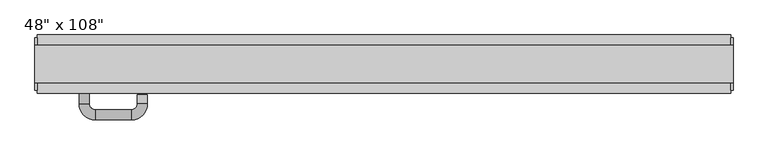
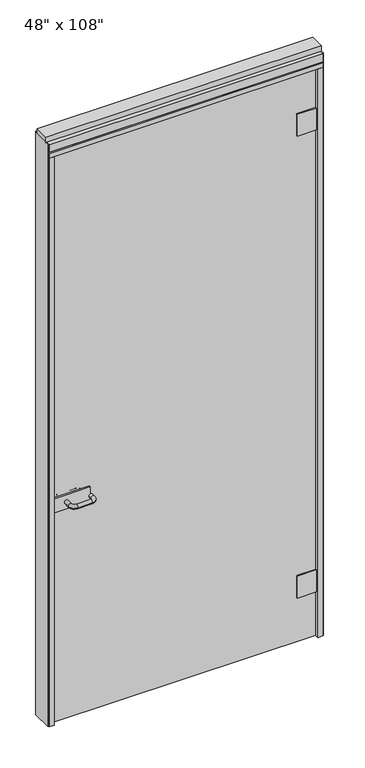
"""IFC4 building model written with IfcOpenShell, lengths in millimetres: furniture geometry."""

import ifcopenshell
import ifcopenshell.guid

model = None  # the IFC model being written
_history = None  # IfcOwnerHistory: only IFC2X3 demands one
_inside = {}  # id of a spatial element -> (the spatial element, [elements in it])
_under = {}  # id of a project, library or spatial element -> (it, [spatial elements below it])
_declared = {}  # id of a project -> (the project, [libraries it declares])
_typed = {}  # id of a type object -> (the type object, [elements of that type])
_made_of = {}  # id of a material, layer set ... -> (it, [elements and type objects made of it])


def new_model(schema):
    """Start an empty IFC model of exactly this schema.

    Asked for "IFC4X3", IfcOpenShell would pick the latest addendum, in which some entities
    have other attributes; the version numbers below select the first issue.
    IFC2X3 requires an IfcOwnerHistory on every rooted entity: one is made here for all.
    """
    global model, _history
    if schema == "IFC4X3":
        model = ifcopenshell.file(schema_version=(4, 3, 0, 0))
    else:
        model = ifcopenshell.file(schema=schema)
    _inside.clear()
    _under.clear()
    _declared.clear()
    _typed.clear()
    _made_of.clear()
    _history = None
    if model.schema == "IFC2X3":
        org = make("IfcOrganization", Name="unknown")
        user = make(
            "IfcPersonAndOrganization",
            ThePerson=make("IfcPerson", FamilyName="unknown"),
            TheOrganization=org,
        )
        app = make(
            "IfcApplication",
            ApplicationDeveloper=org,
            Version="unknown",
            ApplicationFullName="unknown",
            ApplicationIdentifier="unknown",
        )
        _history = make(
            "IfcOwnerHistory",
            OwningUser=user,
            OwningApplication=app,
            ChangeAction="ADDED",
            CreationDate=0,
        )
    return model


def make(cls, **values):
    """One entity of the class cls with the attributes given. An attribute that is None is left unset."""
    return model.create_entity(
        cls, **{name: value for name, value in values.items() if value is not None}
    )


def rooted(cls, **values):
    """An entity with a GlobalId (a new one), such as an element, a storey or a relation."""
    return make(cls, GlobalId=ifcopenshell.guid.new(), OwnerHistory=_history, **values)


def si_unit(unit_type, name, prefix=None):
    """IfcSIUnit, for example si_unit("LENGTHUNIT", "METRE", prefix="MILLI")."""
    return make("IfcSIUnit", UnitType=unit_type, Prefix=prefix, Name=name)


def assignment(units):
    """IfcUnitAssignment: the units of a project."""
    return None if units is None else make("IfcUnitAssignment", Units=units)


def point(xyz):
    """IfcCartesianPoint."""
    return None if xyz is None else make("IfcCartesianPoint", Coordinates=xyz)


def direction(xyz):
    """IfcDirection."""
    return None if xyz is None else make("IfcDirection", DirectionRatios=xyz)


def frame(location, z_axis=None, x_axis=None):
    """IfcAxis2Placement3D, a coordinate frame: its origin and axes. An axis left out is left unset."""
    return make(
        "IfcAxis2Placement3D",
        Location=point(location),
        Axis=direction(z_axis),
        RefDirection=direction(x_axis),
    )


def origin():
    """The frame at (0, 0, 0) with its axes left unset."""
    return frame((0.0, 0.0, 0.0))


def origin_with_axes():
    """The frame at (0, 0, 0) with the z axis (0, 0, 1) and the x axis (1, 0, 0) written out."""
    return frame((0.0, 0.0, 0.0), z_axis=(0.0, 0.0, 1.0), x_axis=(1.0, 0.0, 0.0))


def place(relative_to, where):
    """IfcLocalPlacement: puts the frame where relative to a parent placement (None: the world)."""
    return make(
        "IfcLocalPlacement", PlacementRelTo=relative_to, RelativePlacement=where
    )


def context(
    kind, dimensions, precision=None, world=None, true_north=None, identifier=None
):
    """IfcGeometricRepresentationContext, for example the 3D "Model" context."""
    return make(
        "IfcGeometricRepresentationContext",
        ContextIdentifier=identifier,
        ContextType=kind,
        CoordinateSpaceDimension=dimensions,
        Precision=precision,
        WorldCoordinateSystem=world,
        TrueNorth=true_north,
    )


def project(units=None, contexts=None):
    """IfcProject with its units and contexts."""
    return rooted(
        "IfcProject",
        Name="project",
        RepresentationContexts=contexts,
        UnitsInContext=assignment(units),
    )


def spatial(cls, under=None, at=None, **own):
    """A site, building, storey or space (cls), placed at a placement, below another one or the project."""
    s = rooted(cls, ObjectPlacement=at, **own)
    if under is not None:
        _under.setdefault(under.id(), (under, []))[1].append(s)
    return s


def polyline(points):
    """IfcPolyline through the points."""
    return make("IfcPolyline", Points=[point(p) for p in points])


def circle_curve(where, radius):
    """IfcCircle in the frame where."""
    return make("IfcCircle", Position=where, Radius=radius)


def ellipse_curve(where, semi_axis1, semi_axis2):
    """IfcEllipse in the frame where."""
    return make(
        "IfcEllipse", Position=where, SemiAxis1=semi_axis1, SemiAxis2=semi_axis2
    )


def trimmed(basis, trim1, trim2, sense, master):
    """IfcTrimmedCurve: the piece of a basis curve between two trims."""
    return make(
        "IfcTrimmedCurve",
        BasisCurve=basis,
        Trim1=trim1,
        Trim2=trim2,
        SenseAgreement=sense,
        MasterRepresentation=master,
    )


def outline(outer, holes=None, kind="AREA"):
    """IfcArbitraryClosedProfileDef: a profile drawn as a closed curve; with holes, ...WithVoids."""
    if holes is None:
        return make("IfcArbitraryClosedProfileDef", ProfileType=kind, OuterCurve=outer)
    return make(
        "IfcArbitraryProfileDefWithVoids",
        ProfileType=kind,
        OuterCurve=outer,
        InnerCurves=holes,
    )


def extrude(swept, where, along, depth):
    """IfcExtrudedAreaSolid: the profile swept, set in the frame where, extruded along a direction by depth."""
    return make(
        "IfcExtrudedAreaSolid",
        SweptArea=swept,
        Position=where,
        ExtrudedDirection=direction(along),
        Depth=depth,
    )


def shape(context_of_items, identifier, shape_type, items):
    """IfcShapeRepresentation: the items that make up one representation, for example the "Body"."""
    return make(
        "IfcShapeRepresentation",
        ContextOfItems=context_of_items,
        RepresentationIdentifier=identifier,
        RepresentationType=shape_type,
        Items=items,
    )


def source(mapping_origin, context_of_items, identifier, shape_type, items):
    """IfcRepresentationMap: a shape defined once, which mapped items show again and again."""
    return make(
        "IfcRepresentationMap",
        MappingOrigin=mapping_origin,
        MappedRepresentation=shape(context_of_items, identifier, shape_type, items),
    )


def transform(
    local_origin,
    x_axis=None,
    y_axis=None,
    z_axis=None,
    scale=None,
    scale2=None,
    scale3=None,
    uniform=True,
):
    """IfcCartesianTransformationOperator3D, or its non-uniform kind. x_axis, y_axis, z_axis: its Axis1, 2, 3."""
    if uniform:
        return make(
            "IfcCartesianTransformationOperator3D",
            Axis1=direction(x_axis),
            Axis2=direction(y_axis),
            LocalOrigin=point(local_origin),
            Scale=scale,
            Axis3=direction(z_axis),
        )
    return make(
        "IfcCartesianTransformationOperator3DnonUniform",
        Axis1=direction(x_axis),
        Axis2=direction(y_axis),
        LocalOrigin=point(local_origin),
        Scale=scale,
        Axis3=direction(z_axis),
        Scale2=scale2,
        Scale3=scale3,
    )


def mapped(mapping_source, mapping_target):
    """IfcMappedItem: shows the shape of a source again, moved by a transform."""
    return make(
        "IfcMappedItem", MappingSource=mapping_source, MappingTarget=mapping_target
    )


def made_of(thing, what):
    """Note that an element or type object is made of a material, layer set ...; save() writes the relation."""
    if what is not None:
        _made_of.setdefault(what.id(), (what, []))[1].append(thing)
    return thing


def element(
    cls,
    number,
    at=None,
    inside=None,
    cuts=None,
    type_object=None,
    material=None,
    context=None,
    identifier="Body",
    shape_type=None,
    held_by="IfcProductDefinitionShape",
    body=None,
    shapes=None,
    **own,
):
    """One element of the class cls, such as IfcWall. Its Tag is "e" and its number.

    at: its placement. inside: the storey or other place that contains it. cuts: it is an
    opening in that element (IfcRelVoidsElement). A single representation is given by context,
    identifier, shape_type and body (its items); several are given by shapes. held_by: the class
    of the entity that holds the representations. save() writes the other relations.
    """
    e = rooted(cls, Tag="e%d" % number, ObjectPlacement=at, **own)
    if body is not None:
        shapes = [shape(context, identifier, shape_type, body)]
    if shapes is not None:
        e.Representation = make(held_by, Representations=shapes)
    if inside is not None:
        _inside.setdefault(inside.id(), (inside, []))[1].append(e)
    if cuts is not None:
        rooted(
            "IfcRelVoidsElement", RelatingBuildingElement=cuts, RelatedOpeningElement=e
        )
    if type_object is not None:
        _typed.setdefault(type_object.id(), (type_object, []))[1].append(e)
    return made_of(e, material)


def aggregate(whole, parts):
    """IfcRelAggregates: a whole, such as a stair, and the parts it consists of."""
    return rooted("IfcRelAggregates", RelatingObject=whole, RelatedObjects=parts)


def save(model, path):
    """Write the relations noted so far, then the file.

    IfcRelAggregates (storeys below a building ...), IfcRelContainedInSpatialStructure (elements
    in a storey), IfcRelDefinesByType, IfcRelAssociatesMaterial and IfcRelDeclares: one each for
    every whole, place, type object, material and project.
    """
    for whole, parts in _under.values():
        aggregate(whole, parts)
    for where, things in _inside.values():
        rooted(
            "IfcRelContainedInSpatialStructure",
            RelatedElements=things,
            RelatingStructure=where,
        )
    for kind, things in _typed.values():
        rooted("IfcRelDefinesByType", RelatedObjects=things, RelatingType=kind)
    for what, things in _made_of.values():
        rooted("IfcRelAssociatesMaterial", RelatedObjects=things, RelatingMaterial=what)
    for by, libraries in _declared.values():
        rooted("IfcRelDeclares", RelatingContext=by, RelatedDefinitions=libraries)
    model.write(path)


def plane_surface(at):
    """IfcPlane: the flat surface through the origin of the frame at, square to its z axis."""
    return make("IfcPlane", Position=at)


def cylinder_surface(at, radius):
    """IfcCylindricalSurface: all points at the distance radius from the z axis of the frame at."""
    return make("IfcCylindricalSurface", Position=at, Radius=radius)


def revolved_surface(curve, axis_point, axis_direction):
    """IfcSurfaceOfRevolution: the curve turned about the line through axis_point along axis_direction."""
    return make(
        "IfcSurfaceOfRevolution",
        SweptCurve=make("IfcArbitraryOpenProfileDef", ProfileType="CURVE", Curve=curve),
        AxisPosition=make("IfcAxis1Placement", Location=point(axis_point), Axis=direction(axis_direction)),
    )


def advanced_brep(points, edges, surfaces, faces):
    """IfcAdvancedBrep: a solid bounded by faces that lie on surfaces and meet in shared edges.

    An edge is (start, end): straight between two places in points (the first is 0);
    or (start, end, curve); or (start, end, curve, False) where it runs against its curve.
    A face is (place in surfaces, loops), or (place, loops, False) where it looks against
    its surface's normal. A loop lists edges by number (the first is 1), with a minus sign
    where the edge is run from its end to its start. The first loop is the outer one.
    """
    corners = [point(p) for p in points]
    vertices = [make("IfcVertexPoint", VertexGeometry=c) for c in corners]
    made = []
    for start, end, *more in edges:
        made.append(
            make(
                "IfcEdgeCurve",
                EdgeStart=vertices[start],
                EdgeEnd=vertices[end],
                EdgeGeometry=more[0] if more else make("IfcPolyline", Points=[corners[start], corners[end]]),
                SameSense=more[1] if len(more) > 1 else True,
            )
        )
    hull = []
    for where, loops, *sense in faces:
        bounds = []
        for j, loop in enumerate(loops):
            ring = [make("IfcOrientedEdge", EdgeElement=made[abs(k) - 1], Orientation=k > 0) for k in loop]
            bounds.append(
                make(
                    "IfcFaceOuterBound" if j == 0 else "IfcFaceBound",
                    Bound=make("IfcEdgeLoop", EdgeList=ring),
                    Orientation=True,
                )
            )
        hull.append(make("IfcAdvancedFace", Bounds=bounds, FaceSurface=surfaces[where], SameSense=sense[0] if sense else True))
    return make("IfcAdvancedBrep", Outer=make("IfcClosedShell", CfsFaces=hull))


def furniture_f7354642(model_context):
    return source(origin(), model_context, "Body", "SolidModel", [
        extrude(outline(polyline([(523.4014771, -38.1727216), (-643.4745229, -38.1727216), (-643.4745229, -28.0127216), (523.4014771, -28.0127216), (523.4014771, -38.1727216)])), origin_with_axes(), (0.0, 0.0, 1.0), 2654.3),
        extrude(outline(polyline([(-477.3585229, -21.0277216), (-477.3585229, -28.0127216), (-642.4585229, -28.0127216), (-642.4585229, -21.0277216), (-477.3585229, -21.0277216)])), frame((0.0, 0.0, 982.98), z_axis=(0.0, 0.0, 1.0), x_axis=(1.0, 0.0, 0.0)), (0.0, 0.0, 1.0), 66.04),
        advanced_brep(
        [(-592.4205229, -21.0277216, 1016.0), (-574.6405229, -21.0277216, 1016.0), (-574.6405229, 7.5472784, 1016.0), (-592.4205229, 7.5472784, 1016.0), (-564.4805229, 17.7072784, 1016.0), (-564.4805229, 35.4872784, 1016.0), (-473.0405229, -8.3277216, 1016.0), (-490.8205229, -8.3277216, 1016.0), (-500.9805229, 17.7072784, 1016.0), (-500.9805229, 35.4872784, 1016.0), (-490.8205229, 7.5472784, 1016.0), (-473.0405229, 7.5472784, 1016.0)],
        [
            (0, 1, circle_curve(frame((-583.5305229, -21.0277216, 1016.0), z_axis=(0.0, -1.0, 0.0), x_axis=(1.0, 0.0, 0.0)), 8.89)),
            (1, 0, circle_curve(frame((-583.5305229, -21.0277216, 1016.0), z_axis=(0.0, -1.0, 0.0), x_axis=(1.0, 0.0, 0.0)), 8.89)),
            (1, 2),
            (2, 3, circle_curve(frame((-583.5305229, 7.5472784, 1016.0), z_axis=(0.0, -1.0, 0.0), x_axis=(1.0, 0.0, 0.0)), 8.89)),
            (3, 0),
            (3, 2, circle_curve(frame((-583.5305229, 7.5472784, 1016.0), z_axis=(0.0, -1.0, 0.0), x_axis=(1.0, 0.0, 0.0)), 8.89)),
            (4, 5, circle_curve(frame((-564.4805229, 26.5972784, 1016.0), z_axis=(-1.0, 0.0, 0.0), x_axis=(0.0, -1.0, 0.0)), 8.89)),
            (5, 3, circle_curve(frame((-564.4805229, 7.5472784, 1016.0), z_axis=(0.0, 0.0, 1.0), x_axis=(-1.0, 0.0, 0.0)), 27.94)),
            (2, 4, circle_curve(frame((-564.4805229, 7.5472784, 1016.0), z_axis=(0.0, 0.0, -1.0), x_axis=(-1.0, 0.0, 0.0)), 10.16)),
            (5, 4, circle_curve(frame((-564.4805229, 26.5972784, 1016.0), z_axis=(-1.0, 0.0, 0.0), x_axis=(0.0, -1.0, 0.0)), 8.89)),
            (6, 7, circle_curve(frame((-481.9305229, -8.3277216, 1016.0), z_axis=(0.0, -1.0, 0.0), x_axis=(-1.0, 0.0, 0.0)), 8.89)),
            (7, 6, circle_curve(frame((-481.9305229, -8.3277216, 1016.0), z_axis=(0.0, -1.0, 0.0), x_axis=(-1.0, 0.0, 0.0)), 8.89)),
            (4, 8),
            (8, 9, circle_curve(frame((-500.9805229, 26.5972784, 1016.0), z_axis=(-1.0, 0.0, 0.0), x_axis=(0.0, -1.0, 0.0)), 8.89)),
            (9, 5),
            (9, 8, circle_curve(frame((-500.9805229, 26.5972784, 1016.0), z_axis=(-1.0, 0.0, 0.0), x_axis=(0.0, -1.0, 0.0)), 8.89)),
            (10, 11, circle_curve(frame((-481.9305229, 7.5472784, 1016.0), z_axis=(0.0, 1.0, 0.0), x_axis=(-1.0, 0.0, 0.0)), 8.89)),
            (11, 9, circle_curve(frame((-500.9805229, 7.5472784, 1016.0), z_axis=(0.0, 0.0, 1.0), x_axis=(0.0, 1.0, 0.0)), 27.94)),
            (8, 10, circle_curve(frame((-500.9805229, 7.5472784, 1016.0), z_axis=(0.0, 0.0, -1.0), x_axis=(0.0, 1.0, 0.0)), 10.16)),
            (11, 10, circle_curve(frame((-481.9305229, 7.5472784, 1016.0), z_axis=(0.0, 1.0, 0.0), x_axis=(-1.0, 0.0, 0.0)), 8.89)),
            (10, 7),
            (6, 11),
        ],
        [
            plane_surface(frame((-583.5305229, -21.0277216, 1016.0), z_axis=(0.0, -1.0, 0.0), x_axis=(0.0, 0.0, 1.0))),
            cylinder_surface(frame((-583.5305229, -21.0277216, 1016.0), z_axis=(0.0, -1.0, 0.0), x_axis=(1.0, 0.0, 0.0)), 8.89),
            revolved_surface(trimmed(ellipse_curve(frame((-583.5305229, 7.5472784, 1016.0), z_axis=(0.0, 1.0, 0.0), x_axis=(1.0, 0.0, 0.0)), 8.89, 8.89), [point((-592.4205229, 7.5472784, 1016.0))], [point((-574.6405229, 7.5472784, 1016.0))], True, "CARTESIAN"), (-564.4805229, 7.5472784, 1016.0), (0.0, 0.0, 1.0)),
            revolved_surface(trimmed(ellipse_curve(frame((-583.5305229, 7.5472784, 1016.0), z_axis=(0.0, 1.0, 0.0), x_axis=(1.0, 0.0, 0.0)), 8.89, 8.89), [point((-574.6405229, 7.5472784, 1016.0))], [point((-592.4205229, 7.5472784, 1016.0))], True, "CARTESIAN"), (-564.4805229, 7.5472784, 1016.0), (0.0, 0.0, 1.0)),
            plane_surface(frame((-481.9305229, -8.3277216, 1016.0), z_axis=(0.0, -1.0, 0.0), x_axis=(0.0, 0.0, 1.0))),
            cylinder_surface(frame((-564.4805229, 26.5972784, 1016.0), z_axis=(-1.0, 0.0, 0.0), x_axis=(0.0, -1.0, 0.0)), 8.89),
            revolved_surface(trimmed(ellipse_curve(frame((-500.9805229, 26.5972784, 1016.0), z_axis=(1.0, 0.0, 0.0), x_axis=(0.0, -1.0, 0.0)), 8.89, 8.89), [point((-500.9805229, 35.4872784, 1016.0))], [point((-500.9805229, 17.7072784, 1016.0))], True, "CARTESIAN"), (-500.9805229, 7.5472784, 1016.0), (0.0, 0.0, 1.0)),
            revolved_surface(trimmed(ellipse_curve(frame((-500.9805229, 26.5972784, 1016.0), z_axis=(1.0, 0.0, 0.0), x_axis=(0.0, -1.0, 0.0)), 8.89, 8.89), [point((-500.9805229, 17.7072784, 1016.0))], [point((-500.9805229, 35.4872784, 1016.0))], True, "CARTESIAN"), (-500.9805229, 7.5472784, 1016.0), (0.0, 0.0, 1.0)),
            cylinder_surface(frame((-481.9305229, 7.5472784, 1016.0), z_axis=(0.0, 1.0, 0.0), x_axis=(-1.0, 0.0, 0.0)), 8.89),
        ],
        [
            (0, [[1, 2]]),
            (1, [[3, 4, 5, -2]]),
            (1, [[-5, 6, -3, -1]]),
            (2, [[7, 8, -4, 9]]),
            (3, [[10, -9, -6, -8]]),
            (4, [[11, 12]]),
            (5, [[13, 14, 15, -7]]),
            (5, [[-15, 16, -13, -10]]),
            (6, [[17, 18, -14, 19]]),
            (7, [[20, -19, -16, -18]]),
            (8, [[21, -11, 22, -17]]),
            (8, [[-22, -12, -21, -20]]),
        ],
    ),
        extrude(outline(polyline([(-477.3585229, -45.1577216), (-642.4585229, -45.1577216), (-642.4585229, -38.1727216), (-477.3585229, -38.1727216), (-477.3585229, -45.1577216)])), frame((0.0, 0.0, 982.98), z_axis=(0.0, 0.0, 1.0), x_axis=(1.0, 0.0, 0.0)), (0.0, 0.0, 1.0), 66.04),
        advanced_brep(
        [(-592.4205229, -45.1577216, 1016.0), (-574.6405229, -45.1577216, 1016.0), (-592.4205229, -73.7327216, 1016.0), (-574.6405229, -73.7327216, 1016.0), (-564.4805229, -83.8927216, 1016.0), (-564.4805229, -101.6727216, 1016.0), (-473.0405229, -57.8577216, 1016.0), (-490.8205229, -57.8577216, 1016.0), (-500.9805229, -101.6727216, 1016.0), (-500.9805229, -83.8927216, 1016.0), (-490.8205229, -73.7327216, 1016.0), (-473.0405229, -73.7327216, 1016.0)],
        [
            (0, 1, circle_curve(frame((-583.5305229, -45.1577216, 1016.0), z_axis=(0.0, 1.0, 0.0), x_axis=(1.0, 0.0, 0.0)), 8.89)),
            (1, 0, circle_curve(frame((-583.5305229, -45.1577216, 1016.0), z_axis=(0.0, 1.0, 0.0), x_axis=(1.0, 0.0, 0.0)), 8.89)),
            (0, 2),
            (2, 3, circle_curve(frame((-583.5305229, -73.7327216, 1016.0), z_axis=(0.0, 1.0, 0.0), x_axis=(1.0, 0.0, 0.0)), 8.89)),
            (3, 1),
            (3, 2, circle_curve(frame((-583.5305229, -73.7327216, 1016.0), z_axis=(0.0, 1.0, 0.0), x_axis=(1.0, 0.0, 0.0)), 8.89)),
            (4, 3, circle_curve(frame((-564.4805229, -73.7327216, 1016.0), z_axis=(0.0, 0.0, -1.0), x_axis=(-1.0, 0.0, 0.0)), 10.16)),
            (2, 5, circle_curve(frame((-564.4805229, -73.7327216, 1016.0), z_axis=(0.0, 0.0, 1.0), x_axis=(-1.0, 0.0, 0.0)), 27.94)),
            (5, 4, circle_curve(frame((-564.4805229, -92.7827216, 1016.0), z_axis=(-1.0, 0.0, 0.0), x_axis=(0.0, 1.0, 0.0)), 8.89)),
            (4, 5, circle_curve(frame((-564.4805229, -92.7827216, 1016.0), z_axis=(-1.0, 0.0, 0.0), x_axis=(0.0, 1.0, 0.0)), 8.89)),
            (6, 7, circle_curve(frame((-481.9305229, -57.8577216, 1016.0), z_axis=(0.0, 1.0, 0.0), x_axis=(-1.0, 0.0, 0.0)), 8.89)),
            (7, 6, circle_curve(frame((-481.9305229, -57.8577216, 1016.0), z_axis=(0.0, 1.0, 0.0), x_axis=(-1.0, 0.0, 0.0)), 8.89)),
            (5, 8),
            (8, 9, circle_curve(frame((-500.9805229, -92.7827216, 1016.0), z_axis=(-1.0, 0.0, 0.0), x_axis=(0.0, 1.0, 0.0)), 8.89)),
            (9, 4),
            (9, 8, circle_curve(frame((-500.9805229, -92.7827216, 1016.0), z_axis=(-1.0, 0.0, 0.0), x_axis=(0.0, 1.0, 0.0)), 8.89)),
            (10, 9, circle_curve(frame((-500.9805229, -73.7327216, 1016.0), z_axis=(0.0, 0.0, -1.0), x_axis=(0.0, -1.0, 0.0)), 10.16)),
            (8, 11, circle_curve(frame((-500.9805229, -73.7327216, 1016.0), z_axis=(0.0, 0.0, 1.0), x_axis=(0.0, -1.0, 0.0)), 27.94)),
            (11, 10, circle_curve(frame((-481.9305229, -73.7327216, 1016.0), z_axis=(0.0, -1.0, 0.0), x_axis=(-1.0, 0.0, 0.0)), 8.89)),
            (10, 11, circle_curve(frame((-481.9305229, -73.7327216, 1016.0), z_axis=(0.0, -1.0, 0.0), x_axis=(-1.0, 0.0, 0.0)), 8.89)),
            (11, 6),
            (7, 10),
        ],
        [
            plane_surface(frame((-583.5305229, -45.1577216, 1016.0), z_axis=(0.0, 1.0, 0.0), x_axis=(0.0, 0.0, 1.0))),
            cylinder_surface(frame((-583.5305229, -45.1577216, 1016.0), z_axis=(0.0, 1.0, 0.0), x_axis=(1.0, 0.0, 0.0)), 8.89),
            revolved_surface(trimmed(ellipse_curve(frame((-583.5305229, -73.7327216, 1016.0), z_axis=(0.0, 1.0, 0.0), x_axis=(1.0, 0.0, 0.0)), 8.89, 8.89), [point((-592.4205229, -73.7327216, 1016.0))], [point((-574.6405229, -73.7327216, 1016.0))], True, "CARTESIAN"), (-564.4805229, -73.7327216, 1016.0), (0.0, 0.0, 1.0)),
            revolved_surface(trimmed(ellipse_curve(frame((-583.5305229, -73.7327216, 1016.0), z_axis=(0.0, 1.0, 0.0), x_axis=(1.0, 0.0, 0.0)), 8.89, 8.89), [point((-574.6405229, -73.7327216, 1016.0))], [point((-592.4205229, -73.7327216, 1016.0))], True, "CARTESIAN"), (-564.4805229, -73.7327216, 1016.0), (0.0, 0.0, 1.0)),
            plane_surface(frame((-481.9305229, -57.8577216, 1016.0), z_axis=(0.0, 1.0, 0.0), x_axis=(0.0, 0.0, 1.0))),
            cylinder_surface(frame((-564.4805229, -92.7827216, 1016.0), z_axis=(-1.0, 0.0, 0.0), x_axis=(0.0, 1.0, 0.0)), 8.89),
            revolved_surface(trimmed(ellipse_curve(frame((-500.9805229, -92.7827216, 1016.0), z_axis=(-1.0, 0.0, 0.0), x_axis=(0.0, 1.0, 0.0)), 8.89, 8.89), [point((-500.9805229, -101.6727216, 1016.0))], [point((-500.9805229, -83.8927216, 1016.0))], True, "CARTESIAN"), (-500.9805229, -73.7327216, 1016.0), (0.0, 0.0, 1.0)),
            revolved_surface(trimmed(ellipse_curve(frame((-500.9805229, -92.7827216, 1016.0), z_axis=(-1.0, 0.0, 0.0), x_axis=(0.0, 1.0, 0.0)), 8.89, 8.89), [point((-500.9805229, -83.8927216, 1016.0))], [point((-500.9805229, -101.6727216, 1016.0))], True, "CARTESIAN"), (-500.9805229, -73.7327216, 1016.0), (0.0, 0.0, 1.0)),
            cylinder_surface(frame((-481.9305229, -73.7327216, 1016.0), z_axis=(0.0, -1.0, 0.0), x_axis=(-1.0, 0.0, 0.0)), 8.89),
        ],
        [
            (0, [[1, 2]]),
            (1, [[-1, 3, 4, 5]]),
            (1, [[-2, -5, 6, -3]]),
            (2, [[7, -4, 8, 9]]),
            (3, [[-8, -6, -7, 10]]),
            (4, [[11, 12]]),
            (5, [[-9, 13, 14, 15]]),
            (5, [[-10, -15, 16, -13]]),
            (6, [[17, -14, 18, 19]]),
            (7, [[-18, -16, -17, 20]]),
            (8, [[-19, 21, -12, 22]]),
            (8, [[-20, -22, -11, -21]]),
        ],
    ),
        extrude(outline(polyline([(523.4014771, -44.5227216), (438.5654771, -44.5227216), (438.5654771, -38.1727216), (523.4014771, -38.1727216), (523.4014771, -44.5227216)])), frame((0.0, 0.0, 2364.486), z_axis=(0.0, 0.0, 1.0), x_axis=(1.0, 0.0, 0.0)), (0.0, 0.0, 1.0), 101.6),
        extrude(outline(polyline([(523.4014771, -44.5227216), (438.5654771, -44.5227216), (438.5654771, -38.1727216), (523.4014771, -38.1727216), (523.4014771, -44.5227216)])), frame((0.0, 0.0, 207.899), z_axis=(0.0, 0.0, 1.0), x_axis=(1.0, 0.0, 0.0)), (0.0, 0.0, 1.0), 101.6),
        extrude(outline(polyline([(438.5654771, -21.6627216), (523.4014771, -21.6627216), (523.4014771, -28.0127216), (438.5654771, -28.0127216), (438.5654771, -21.6627216)])), frame((0.0, 0.0, 2364.486), z_axis=(0.0, 0.0, 1.0), x_axis=(1.0, 0.0, 0.0)), (0.0, 0.0, 1.0), 101.6),
        extrude(outline(polyline([(438.5654771, -21.6627216), (523.4014771, -21.6627216), (523.4014771, -28.0127216), (438.5654771, -28.0127216), (438.5654771, -21.6627216)])), frame((0.0, 0.0, 207.899), z_axis=(0.0, 0.0, 1.0), x_axis=(1.0, 0.0, 0.0)), (0.0, 0.0, 1.0), 101.6),
        extrude(outline(polyline([(-665.6995229, -55.3177216), (-665.6995229, 46.2822784), (545.6264771, 46.2822784), (545.6264771, -55.3177216), (-665.6995229, -55.3177216)])), frame((0.0, 0.0, 2654.3), z_axis=(0.0, 0.0, 1.0), x_axis=(1.0, 0.0, 0.0)), (0.0, 0.0, 1.0), 22.225),
        extrude(outline(polyline([(549.5634771, -50.3647216), (545.6264771, -50.3647216), (545.6264771, 41.3292784), (549.5634771, 41.3292784), (549.5634771, -50.3647216)])), origin_with_axes(), (0.0, 0.0, 1.0), 2717.8),
        extrude(outline(polyline([(-669.6365229, -50.3647216), (-669.6365229, 41.3292784), (-665.6995229, 41.3292784), (-665.6995229, -50.3647216), (-669.6365229, -50.3647216)])), origin_with_axes(), (0.0, 0.0, 1.0), 2717.8),
        extrude(outline(polyline([(523.4014771, -55.3177216), (523.4014771, 46.2822784), (545.6264771, 46.2822784), (545.6264771, -55.3177216), (523.4014771, -55.3177216)])), origin_with_axes(), (0.0, 0.0, 1.0), 2654.3),
        extrude(outline(polyline([(-643.4745229, -55.3177216), (-665.6995229, -55.3177216), (-665.6995229, 46.2822784), (-643.4745229, 46.2822784), (-643.4745229, -55.3177216)])), origin_with_axes(), (0.0, 0.0, 1.0), 2654.3),
        extrude(outline(polyline([(-55.3177216, 2681.478), (-55.3177216, 2717.8), (46.2822784, 2717.8), (46.2822784, 2681.478), (41.3292784, 2681.478), (41.3292784, 2676.525), (-50.3647216, 2676.525), (-50.3647216, 2681.478), (-55.3177216, 2681.478)])), frame((-665.6995229, 0.0, 0.0), z_axis=(1.0, 0.0, 0.0), x_axis=(0.0, 1.0, 0.0)), (0.0, 0.0, 1.0), 1211.326),
        extrude(outline(polyline([(-669.6365229, -37.0297216), (-669.6365229, 27.9942784), (549.5634771, 27.9942784), (549.5634771, -37.0297216), (-669.6365229, -37.0297216)])), frame((0.0, 0.0, 2717.8), z_axis=(0.0, 0.0, 1.0), x_axis=(1.0, 0.0, 0.0)), (0.0, 0.0, 1.0), 25.4),
    ])


if __name__ == "__main__":
    model = new_model("IFC4")
    model_context = context("Model", 3, world=origin())
    ifc_project = project(units=[si_unit("LENGTHUNIT", "METRE", prefix="MILLI")], contexts=[model_context])
    site = spatial("IfcSite", under=ifc_project)
    building = spatial("IfcBuilding", under=site)
    placement = place(None, origin())
    furniture_shape = furniture_f7354642(model_context)
    element("IfcFurniture", 1, ObjectType="48\" x 108\"", at=placement, inside=building, context=model_context, shape_type="MappedRepresentation", body=[
        mapped(furniture_shape, transform((0.0, 0.0, 0.0), x_axis=(1.0, 0.0, 0.0), y_axis=(0.0, 1.0, 0.0), z_axis=(0.0, 0.0, 1.0))),
    ])
    save(model, "model.ifc")
